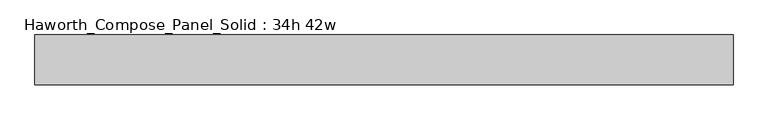
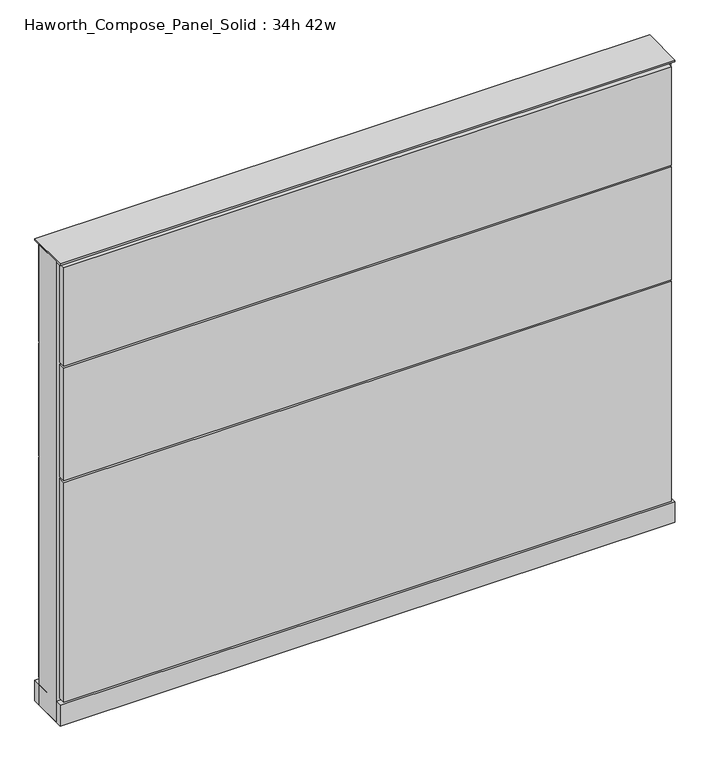
"""IFC4 building model written with IfcOpenShell, lengths in millimetres: furniture geometry, Haworth_Compose_Panel_Solid : 34h 42w."""

from ifc_helpers import new_model, si_unit, point, frame, frame_2d, origin, origin_with_axes, place, context, project, spatial, polyline, circle_curve, trimmed, segment, composite_curve, outline, extrude, source, transform, mapped, element, save


def haworth_compose_panel_solid_34h_42w_32372cb3(model_context):
    return source(origin(), model_context, "Body", "SweptSolid", [
        extrude(outline(composite_curve([segment(trimmed(circle_curve(frame_2d((-454.7597098, 0.0)), 12.7), [point((-467.4597098, 0.0))], [point((-442.0597098, 0.0))], False, "CARTESIAN"), True, "CONTINUOUS"), segment(trimmed(circle_curve(frame_2d((-454.7597098, 0.0)), 12.7), [point((-442.0597098, 0.0))], [point((-467.4597098, 0.0))], False, "CARTESIAN"), True, "CONTINUOUS")], self_intersect=False)), origin_with_axes(), (0.0, 0.0, 1.0), 12.7),
        extrude(outline(composite_curve([segment(trimmed(circle_curve(frame_2d((459.6402902, 0.0)), 12.7), [point((446.9402902, 0.0))], [point((472.3402902, 0.0))], False, "CARTESIAN"), True, "CONTINUOUS"), segment(trimmed(circle_curve(frame_2d((459.6402902, 0.0)), 12.7), [point((472.3402902, 0.0))], [point((446.9402902, 0.0))], False, "CARTESIAN"), True, "CONTINUOUS")], self_intersect=False)), origin_with_axes(), (0.0, 0.0, 1.0), 12.7),
        extrude(outline(polyline([(529.4902902, 38.1), (529.4902902, 25.4), (-524.6097098, 25.4), (-524.6097098, 38.1), (529.4902902, 38.1)])), frame((0.0, 0.0, 669.925), z_axis=(0.0, 0.0, 1.0), x_axis=(1.0, 0.0, 0.0)), (0.0, 0.0, 1.0), 180.975),
        extrude(outline(polyline([(529.4902902, 38.1), (529.4902902, 25.4), (-524.6097098, 25.4), (-524.6097098, 38.1), (529.4902902, 38.1)])), frame((0.0, 0.0, 460.375), z_axis=(0.0, 0.0, 1.0), x_axis=(1.0, 0.0, 0.0)), (0.0, 0.0, 1.0), 206.375),
        extrude(outline(polyline([(529.4902902, 38.1), (529.4902902, 25.4), (-524.6097098, 25.4), (-524.6097098, 38.1), (529.4902902, 38.1)])), frame((0.0, 0.0, 53.975), z_axis=(0.0, 0.0, 1.0), x_axis=(1.0, 0.0, 0.0)), (0.0, 0.0, 1.0), 403.225),
        extrude(outline(polyline([(529.4902902, -38.1), (-524.6097098, -38.1), (-524.6097098, -25.4), (529.4902902, -25.4), (529.4902902, -38.1)])), frame((0.0, 0.0, 669.925), z_axis=(0.0, 0.0, 1.0), x_axis=(1.0, 0.0, 0.0)), (0.0, 0.0, 1.0), 180.975),
        extrude(outline(polyline([(529.4902902, -38.1), (-524.6097098, -38.1), (-524.6097098, -25.4), (529.4902902, -25.4), (529.4902902, -38.1)])), frame((0.0, 0.0, 460.375), z_axis=(0.0, 0.0, 1.0), x_axis=(1.0, 0.0, 0.0)), (0.0, 0.0, 1.0), 206.375),
        extrude(outline(polyline([(529.4902902, -38.1), (-524.6097098, -38.1), (-524.6097098, -25.4), (529.4902902, -25.4), (529.4902902, -38.1)])), frame((0.0, 0.0, 53.975), z_axis=(0.0, 0.0, 1.0), x_axis=(1.0, 0.0, 0.0)), (0.0, 0.0, 1.0), 403.225),
        extrude(outline(polyline([(535.8402902, 25.4), (535.8402902, -25.4), (-530.9597098, -25.4), (-530.9597098, 25.4), (535.8402902, 25.4)])), frame((0.0, 0.0, 12.7), z_axis=(0.0, 0.0, 1.0), x_axis=(1.0, 0.0, 0.0)), (0.0, 0.0, 1.0), 844.55),
        extrude(outline(polyline([(-530.9597098, -38.1), (-530.9597098, 38.1), (535.8402902, 38.1), (535.8402902, -38.1), (-530.9597098, -38.1)])), frame((0.0, 0.0, 12.7), z_axis=(0.0, 0.0, 1.0), x_axis=(1.0, 0.0, 0.0)), (0.0, 0.0, 1.0), 38.1),
        extrude(outline(polyline([(-530.9597098, -38.1), (-530.9597098, 38.1), (535.8402902, 38.1), (535.8402902, -38.1), (-530.9597098, -38.1)])), frame((0.0, 0.0, 857.25), z_axis=(0.0, 0.0, 1.0), x_axis=(1.0, 0.0, 0.0)), (0.0, 0.0, 1.0), 3.175),
    ])


if __name__ == "__main__":
    model = new_model("IFC4")
    model_context = context("Model", 3, world=origin())
    ifc_project = project(units=[si_unit("LENGTHUNIT", "METRE", prefix="MILLI")], contexts=[model_context])
    site = spatial("IfcSite", under=ifc_project)
    building = spatial("IfcBuilding", under=site)
    placement = place(None, origin())
    haworth_compose_panel_solid_34h_42w_shape = haworth_compose_panel_solid_34h_42w_32372cb3(model_context)
    element("IfcFurniture", 1, ObjectType="Haworth_Compose_Panel_Solid : 34h 42w", at=placement, inside=building, context=model_context, shape_type="MappedRepresentation", body=[
        mapped(haworth_compose_panel_solid_34h_42w_shape, transform((0.0, 0.0, 0.0), x_axis=(1.0, 0.0, 0.0), y_axis=(0.0, 1.0, 0.0), z_axis=(0.0, 0.0, 1.0))),
    ])
    save(model, "model.ifc")
